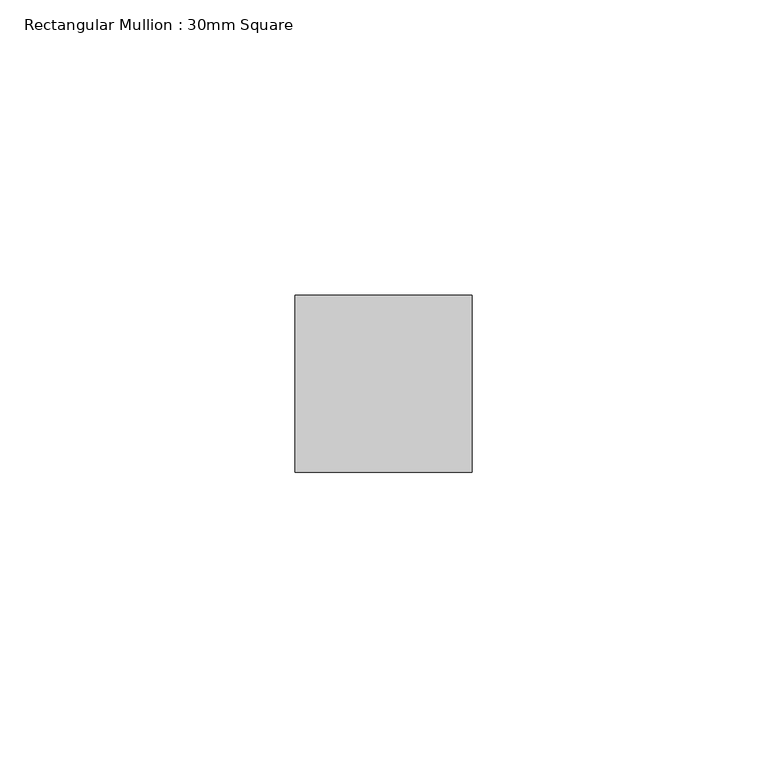
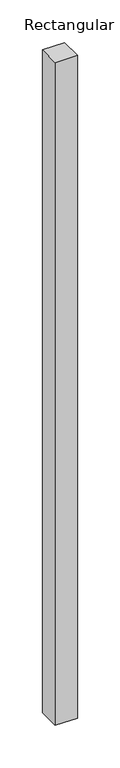
"""IFC4 building model written with IfcOpenShell, lengths in millimetres: member geometry, Rectangular Mullion : 30mm Square."""

from ifc_helpers import new_model, si_unit, frame, origin, place, context, project, spatial, polyline, outline, extrude, source, transform, mapped, element, save


def rectangular_mullion_30mm_square_b19284f6(model_context):
    return source(origin(), model_context, "Body", "SweptSolid", [
        extrude(outline(polyline([(15.0, 15.0), (15.0, -15.0), (-15.0, -15.0), (-15.0, 15.0), (15.0, 15.0)])), frame((0.0, 0.0, -949.8371184), z_axis=(0.0, 0.0, 1.0), x_axis=(1.0, 0.0, 0.0)), (0.0, 0.0, 1.0), 949.8371184),
    ])


if __name__ == "__main__":
    model = new_model("IFC4")
    model_context = context("Model", 3, world=origin())
    ifc_project = project(units=[si_unit("LENGTHUNIT", "METRE", prefix="MILLI")], contexts=[model_context])
    site = spatial("IfcSite", under=ifc_project)
    building = spatial("IfcBuilding", under=site)
    placement = place(None, origin())
    rectangular_mullion_30mm_square_shape = rectangular_mullion_30mm_square_b19284f6(model_context)
    element("IfcMember", 1, ObjectType="Rectangular Mullion : 30mm Square", at=placement, inside=building, context=model_context, shape_type="MappedRepresentation", body=[
        mapped(rectangular_mullion_30mm_square_shape, transform((0.0, 0.0, 0.0), x_axis=(1.0, 0.0, 0.0), y_axis=(0.0, 1.0, 0.0), z_axis=(0.0, 0.0, 1.0))),
    ])
    save(model, "model.ifc")
